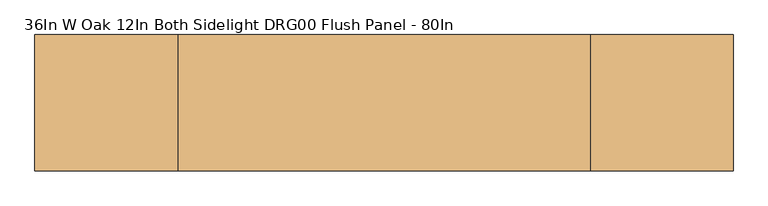
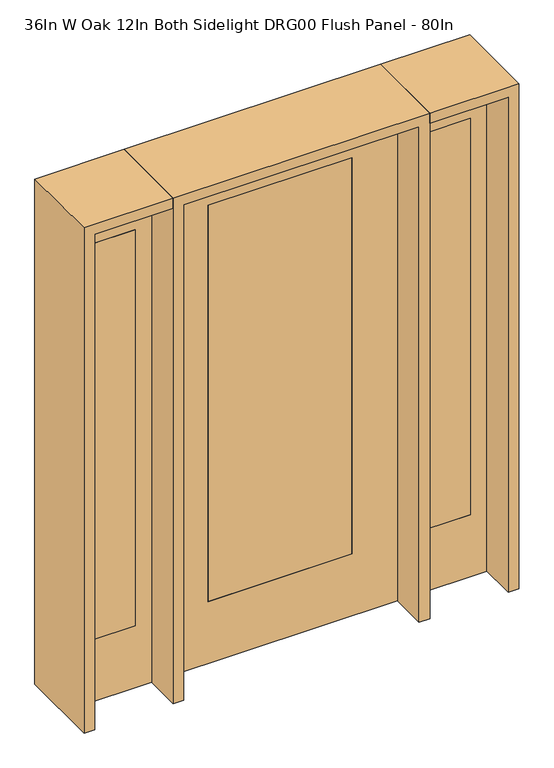
"""IFC4 building model written with IfcOpenShell, lengths in millimetres: door geometry, 36In W Oak 12In Both Sidelight DRG00 Flush Panel - 80In."""

from ifc_helpers import new_model, si_unit, frame, origin, place, context, project, spatial, polyline, outline, extrude, source, transform, mapped, element, save


def door_36in_w_oak_12in_both_sidelight_drg00_flush_panel_80in_29173b2a(model_context):
    return source(origin(), model_context, "Body", "SweptSolid", [
        extrude(outline(polyline([(739.775, -20.6375), (561.975, -20.6375), (561.975, 20.6375), (739.775, 20.6375), (739.775, -20.6375)])), frame((0.0, 0.0, 254.0), z_axis=(0.0, 0.0, 1.0), x_axis=(1.0, 0.0, 0.0)), (0.0, 0.0, 1.0), 1625.6),
        extrude(outline(polyline([(0.0, 498.475), (0.0, 803.275), (2032.0, 803.275), (2032.0, 498.475), (0.0, 498.475)]), holes=[polyline([(1879.6, 739.775), (254.0, 739.775), (254.0, 561.975), (1879.6, 561.975), (1879.6, 739.775)])]), frame((0.0, -20.6375, 0.0), z_axis=(0.0, 1.0, 0.0), x_axis=(0.0, 0.0, 1.0)), (0.0, 0.0, 1.0), 41.275),
        extrude(outline(polyline([(-561.975, -20.6375), (-739.775, -20.6375), (-739.775, 20.6375), (-561.975, 20.6375), (-561.975, -20.6375)])), frame((0.0, 0.0, 254.0), z_axis=(0.0, 0.0, 1.0), x_axis=(1.0, 0.0, 0.0)), (0.0, 0.0, 1.0), 1625.6),
        extrude(outline(polyline([(0.0, -803.275), (0.0, -498.475), (2032.0, -498.475), (2032.0, -803.275), (0.0, -803.275)]), holes=[polyline([(1879.6, -561.975), (254.0, -561.975), (254.0, -739.775), (1879.6, -739.775), (1879.6, -561.975)])]), frame((0.0, -20.6375, 0.0), z_axis=(0.0, 1.0, 0.0), x_axis=(0.0, 0.0, 1.0)), (0.0, 0.0, 1.0), 41.275),
        extrude(outline(polyline([(2032.0, 457.2), (2032.0, -457.2), (0.0, -457.2), (0.0, 457.2), (2032.0, 457.2)]), holes=[polyline([(254.0, 279.4), (254.0, -279.4), (1879.6, -279.4), (1879.6, 279.4), (254.0, 279.4)])]), frame((0.0, -20.701, 0.0), z_axis=(0.0, 1.0, 0.0), x_axis=(0.0, 0.0, 1.0)), (0.0, 0.0, 1.0), 41.402),
        extrude(outline(polyline([(279.4, -20.701), (-279.4, -20.701), (-279.4, 20.701), (279.4, 20.701), (279.4, -20.701)])), frame((0.0, 0.0, 254.0), z_axis=(0.0, 0.0, 1.0), x_axis=(1.0, 0.0, 0.0)), (0.0, 0.0, 1.0), 1625.6),
        extrude(outline(polyline([(2032.0, -498.475), (2073.275, -498.475), (2073.275, -844.55), (0.0, -844.55), (0.0, -803.275), (2032.0, -803.275), (2032.0, -498.475)])), frame((0.0, -165.1, 0.0), z_axis=(0.0, 1.0, 0.0), x_axis=(0.0, 0.0, 1.0)), (0.0, 0.0, 1.0), 330.2),
        extrude(outline(polyline([(2073.275, -498.475), (0.0, -498.475), (0.0, -457.2), (2032.0, -457.2), (2032.0, 457.2), (0.0, 457.2), (0.0, 498.475), (2073.275, 498.475), (2073.275, -498.475)])), frame((0.0, -165.1, 0.0), z_axis=(0.0, 1.0, 0.0), x_axis=(0.0, 0.0, 1.0)), (0.0, 0.0, 1.0), 330.2),
        extrude(outline(polyline([(0.0, 803.275), (0.0, 844.55), (2073.275, 844.55), (2073.275, 498.475), (2032.0, 498.475), (2032.0, 803.275), (0.0, 803.275)])), frame((0.0, -165.1, 0.0), z_axis=(0.0, 1.0, 0.0), x_axis=(0.0, 0.0, 1.0)), (0.0, 0.0, 1.0), 330.2),
    ])


if __name__ == "__main__":
    model = new_model("IFC4")
    model_context = context("Model", 3, world=origin())
    ifc_project = project(units=[si_unit("LENGTHUNIT", "METRE", prefix="MILLI")], contexts=[model_context])
    site = spatial("IfcSite", under=ifc_project)
    building = spatial("IfcBuilding", under=site)
    placement = place(None, origin())
    door_36in_w_oak_12in_both_sidelight_drg00_flush_panel_80in_shape = door_36in_w_oak_12in_both_sidelight_drg00_flush_panel_80in_29173b2a(model_context)
    element("IfcDoor", 1, ObjectType="36In W Oak 12In Both Sidelight DRG00 Flush Panel - 80In", at=placement, inside=building, context=model_context, shape_type="MappedRepresentation", body=[
        mapped(door_36in_w_oak_12in_both_sidelight_drg00_flush_panel_80in_shape, transform((0.0, 0.0, 0.0), x_axis=(1.0, 0.0, 0.0), y_axis=(0.0, 1.0, 0.0), z_axis=(0.0, 0.0, 1.0))),
    ])
    save(model, "model.ifc")
